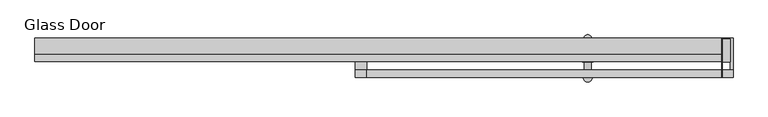
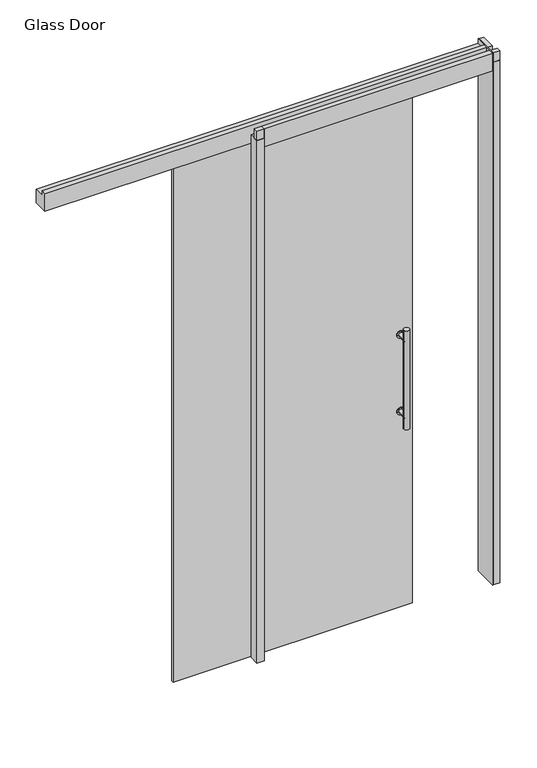
"""IFC4 building model written with IfcOpenShell, lengths in millimetres: plate geometry, Glass Door."""

import ifcopenshell
import ifcopenshell.guid

model = None  # the IFC model being written
_history = None  # IfcOwnerHistory: only IFC2X3 demands one
_inside = {}  # id of a spatial element -> (the spatial element, [elements in it])
_under = {}  # id of a project, library or spatial element -> (it, [spatial elements below it])
_declared = {}  # id of a project -> (the project, [libraries it declares])
_typed = {}  # id of a type object -> (the type object, [elements of that type])
_made_of = {}  # id of a material, layer set ... -> (it, [elements and type objects made of it])


def new_model(schema):
    """Start an empty IFC model of exactly this schema.

    Asked for "IFC4X3", IfcOpenShell would pick the latest addendum, in which some entities
    have other attributes; the version numbers below select the first issue.
    IFC2X3 requires an IfcOwnerHistory on every rooted entity: one is made here for all.
    """
    global model, _history
    if schema == "IFC4X3":
        model = ifcopenshell.file(schema_version=(4, 3, 0, 0))
    else:
        model = ifcopenshell.file(schema=schema)
    _inside.clear()
    _under.clear()
    _declared.clear()
    _typed.clear()
    _made_of.clear()
    _history = None
    if model.schema == "IFC2X3":
        org = make("IfcOrganization", Name="unknown")
        user = make(
            "IfcPersonAndOrganization",
            ThePerson=make("IfcPerson", FamilyName="unknown"),
            TheOrganization=org,
        )
        app = make(
            "IfcApplication",
            ApplicationDeveloper=org,
            Version="unknown",
            ApplicationFullName="unknown",
            ApplicationIdentifier="unknown",
        )
        _history = make(
            "IfcOwnerHistory",
            OwningUser=user,
            OwningApplication=app,
            ChangeAction="ADDED",
            CreationDate=0,
        )
    return model


def make(cls, **values):
    """One entity of the class cls with the attributes given. An attribute that is None is left unset."""
    return model.create_entity(
        cls, **{name: value for name, value in values.items() if value is not None}
    )


def rooted(cls, **values):
    """An entity with a GlobalId (a new one), such as an element, a storey or a relation."""
    return make(cls, GlobalId=ifcopenshell.guid.new(), OwnerHistory=_history, **values)


def si_unit(unit_type, name, prefix=None):
    """IfcSIUnit, for example si_unit("LENGTHUNIT", "METRE", prefix="MILLI")."""
    return make("IfcSIUnit", UnitType=unit_type, Prefix=prefix, Name=name)


def assignment(units):
    """IfcUnitAssignment: the units of a project."""
    return None if units is None else make("IfcUnitAssignment", Units=units)


def point(xyz):
    """IfcCartesianPoint."""
    return None if xyz is None else make("IfcCartesianPoint", Coordinates=xyz)


def direction(xyz):
    """IfcDirection."""
    return None if xyz is None else make("IfcDirection", DirectionRatios=xyz)


def frame(location, z_axis=None, x_axis=None):
    """IfcAxis2Placement3D, a coordinate frame: its origin and axes. An axis left out is left unset."""
    return make(
        "IfcAxis2Placement3D",
        Location=point(location),
        Axis=direction(z_axis),
        RefDirection=direction(x_axis),
    )


def frame_2d(location, x_axis=None):
    """IfcAxis2Placement2D, a coordinate frame in the plane: its origin and x axis."""
    return make(
        "IfcAxis2Placement2D", Location=point(location), RefDirection=direction(x_axis)
    )


def origin():
    """The frame at (0, 0, 0) with its axes left unset."""
    return frame((0.0, 0.0, 0.0))


def origin_with_axes():
    """The frame at (0, 0, 0) with the z axis (0, 0, 1) and the x axis (1, 0, 0) written out."""
    return frame((0.0, 0.0, 0.0), z_axis=(0.0, 0.0, 1.0), x_axis=(1.0, 0.0, 0.0))


def place(relative_to, where):
    """IfcLocalPlacement: puts the frame where relative to a parent placement (None: the world)."""
    return make(
        "IfcLocalPlacement", PlacementRelTo=relative_to, RelativePlacement=where
    )


def context(
    kind, dimensions, precision=None, world=None, true_north=None, identifier=None
):
    """IfcGeometricRepresentationContext, for example the 3D "Model" context."""
    return make(
        "IfcGeometricRepresentationContext",
        ContextIdentifier=identifier,
        ContextType=kind,
        CoordinateSpaceDimension=dimensions,
        Precision=precision,
        WorldCoordinateSystem=world,
        TrueNorth=true_north,
    )


def project(units=None, contexts=None):
    """IfcProject with its units and contexts."""
    return rooted(
        "IfcProject",
        Name="project",
        RepresentationContexts=contexts,
        UnitsInContext=assignment(units),
    )


def spatial(cls, under=None, at=None, **own):
    """A site, building, storey or space (cls), placed at a placement, below another one or the project."""
    s = rooted(cls, ObjectPlacement=at, **own)
    if under is not None:
        _under.setdefault(under.id(), (under, []))[1].append(s)
    return s


def polyline(points):
    """IfcPolyline through the points."""
    return make("IfcPolyline", Points=[point(p) for p in points])


def circle_curve(where, radius):
    """IfcCircle in the frame where."""
    return make("IfcCircle", Position=where, Radius=radius)


def trimmed(basis, trim1, trim2, sense, master):
    """IfcTrimmedCurve: the piece of a basis curve between two trims."""
    return make(
        "IfcTrimmedCurve",
        BasisCurve=basis,
        Trim1=trim1,
        Trim2=trim2,
        SenseAgreement=sense,
        MasterRepresentation=master,
    )


def segment(curve, same_sense, transition):
    """IfcCompositeCurveSegment."""
    return make(
        "IfcCompositeCurveSegment",
        Transition=transition,
        SameSense=same_sense,
        ParentCurve=curve,
    )


def composite_curve(segments, self_intersect=None):
    """IfcCompositeCurve: segments joined end to end."""
    return make("IfcCompositeCurve", Segments=segments, SelfIntersect=self_intersect)


def outline(outer, holes=None, kind="AREA"):
    """IfcArbitraryClosedProfileDef: a profile drawn as a closed curve; with holes, ...WithVoids."""
    if holes is None:
        return make("IfcArbitraryClosedProfileDef", ProfileType=kind, OuterCurve=outer)
    return make(
        "IfcArbitraryProfileDefWithVoids",
        ProfileType=kind,
        OuterCurve=outer,
        InnerCurves=holes,
    )


def extrude(swept, where, along, depth):
    """IfcExtrudedAreaSolid: the profile swept, set in the frame where, extruded along a direction by depth."""
    return make(
        "IfcExtrudedAreaSolid",
        SweptArea=swept,
        Position=where,
        ExtrudedDirection=direction(along),
        Depth=depth,
    )


def shape(context_of_items, identifier, shape_type, items):
    """IfcShapeRepresentation: the items that make up one representation, for example the "Body"."""
    return make(
        "IfcShapeRepresentation",
        ContextOfItems=context_of_items,
        RepresentationIdentifier=identifier,
        RepresentationType=shape_type,
        Items=items,
    )


def source(mapping_origin, context_of_items, identifier, shape_type, items):
    """IfcRepresentationMap: a shape defined once, which mapped items show again and again."""
    return make(
        "IfcRepresentationMap",
        MappingOrigin=mapping_origin,
        MappedRepresentation=shape(context_of_items, identifier, shape_type, items),
    )


def transform(
    local_origin,
    x_axis=None,
    y_axis=None,
    z_axis=None,
    scale=None,
    scale2=None,
    scale3=None,
    uniform=True,
):
    """IfcCartesianTransformationOperator3D, or its non-uniform kind. x_axis, y_axis, z_axis: its Axis1, 2, 3."""
    if uniform:
        return make(
            "IfcCartesianTransformationOperator3D",
            Axis1=direction(x_axis),
            Axis2=direction(y_axis),
            LocalOrigin=point(local_origin),
            Scale=scale,
            Axis3=direction(z_axis),
        )
    return make(
        "IfcCartesianTransformationOperator3DnonUniform",
        Axis1=direction(x_axis),
        Axis2=direction(y_axis),
        LocalOrigin=point(local_origin),
        Scale=scale,
        Axis3=direction(z_axis),
        Scale2=scale2,
        Scale3=scale3,
    )


def mapped(mapping_source, mapping_target):
    """IfcMappedItem: shows the shape of a source again, moved by a transform."""
    return make(
        "IfcMappedItem", MappingSource=mapping_source, MappingTarget=mapping_target
    )


def made_of(thing, what):
    """Note that an element or type object is made of a material, layer set ...; save() writes the relation."""
    if what is not None:
        _made_of.setdefault(what.id(), (what, []))[1].append(thing)
    return thing


def element(
    cls,
    number,
    at=None,
    inside=None,
    cuts=None,
    type_object=None,
    material=None,
    context=None,
    identifier="Body",
    shape_type=None,
    held_by="IfcProductDefinitionShape",
    body=None,
    shapes=None,
    **own,
):
    """One element of the class cls, such as IfcWall. Its Tag is "e" and its number.

    at: its placement. inside: the storey or other place that contains it. cuts: it is an
    opening in that element (IfcRelVoidsElement). A single representation is given by context,
    identifier, shape_type and body (its items); several are given by shapes. held_by: the class
    of the entity that holds the representations. save() writes the other relations.
    """
    e = rooted(cls, Tag="e%d" % number, ObjectPlacement=at, **own)
    if body is not None:
        shapes = [shape(context, identifier, shape_type, body)]
    if shapes is not None:
        e.Representation = make(held_by, Representations=shapes)
    if inside is not None:
        _inside.setdefault(inside.id(), (inside, []))[1].append(e)
    if cuts is not None:
        rooted(
            "IfcRelVoidsElement", RelatingBuildingElement=cuts, RelatedOpeningElement=e
        )
    if type_object is not None:
        _typed.setdefault(type_object.id(), (type_object, []))[1].append(e)
    return made_of(e, material)


def aggregate(whole, parts):
    """IfcRelAggregates: a whole, such as a stair, and the parts it consists of."""
    return rooted("IfcRelAggregates", RelatingObject=whole, RelatedObjects=parts)


def save(model, path):
    """Write the relations noted so far, then the file.

    IfcRelAggregates (storeys below a building ...), IfcRelContainedInSpatialStructure (elements
    in a storey), IfcRelDefinesByType, IfcRelAssociatesMaterial and IfcRelDeclares: one each for
    every whole, place, type object, material and project.
    """
    for whole, parts in _under.values():
        aggregate(whole, parts)
    for where, things in _inside.values():
        rooted(
            "IfcRelContainedInSpatialStructure",
            RelatedElements=things,
            RelatingStructure=where,
        )
    for kind, things in _typed.values():
        rooted("IfcRelDefinesByType", RelatedObjects=things, RelatingType=kind)
    for what, things in _made_of.values():
        rooted("IfcRelAssociatesMaterial", RelatedObjects=things, RelatingMaterial=what)
    for by, libraries in _declared.values():
        rooted("IfcRelDeclares", RelatingContext=by, RelatedDefinitions=libraries)
    model.write(path)


def glass_door_49f5abe7(model_context):
    return source(origin(), model_context, "Body", "SweptSolid", [
        extrude(outline(composite_curve([segment(trimmed(circle_curve(frame_2d((1267.7758628, 122.9502762)), 15.5007671), [point((1267.7758628, 107.449509))], [point((1267.7758628, 138.4510433))], False, "CARTESIAN"), True, "CONTINUOUS"), segment(trimmed(circle_curve(frame_2d((1267.7758628, 122.9502762)), 15.5007671), [point((1267.7758628, 138.4510433))], [point((1267.7758628, 107.449509))], False, "CARTESIAN"), True, "CONTINUOUS")], self_intersect=False)), frame((0.0, 11.6587122, 0.0), z_axis=(0.0, 1.0, 0.0), x_axis=(0.0, 0.0, 1.0)), (0.0, 0.0, 1.0), 3.556),
        extrude(outline(composite_curve([segment(trimmed(circle_curve(frame_2d((912.5206255, 122.9502762)), 15.5007671), [point((912.5206255, 107.449509))], [point((912.5206255, 138.4510433))], False, "CARTESIAN"), True, "CONTINUOUS"), segment(trimmed(circle_curve(frame_2d((912.5206255, 122.9502762)), 15.5007671), [point((912.5206255, 138.4510433))], [point((912.5206255, 107.449509))], False, "CARTESIAN"), True, "CONTINUOUS")], self_intersect=False)), frame((0.0, 11.6587122, 0.0), z_axis=(0.0, 1.0, 0.0), x_axis=(0.0, 0.0, 1.0)), (0.0, 0.0, 1.0), 3.556),
        extrude(outline(composite_curve([segment(trimmed(circle_curve(frame_2d((912.5206255, 122.9502762)), 9.4326721), [point((912.5206255, 113.5176041))], [point((912.5206255, 132.3829482))], False, "CARTESIAN"), True, "CONTINUOUS"), segment(trimmed(circle_curve(frame_2d((912.5206255, 122.9502762)), 9.4326721), [point((912.5206255, 132.3829482))], [point((912.5206255, 113.5176041))], False, "CARTESIAN"), True, "CONTINUOUS")], self_intersect=False)), frame((0.0, -32.7444259, 0.0), z_axis=(0.0, 1.0, 0.0), x_axis=(0.0, 0.0, 1.0)), (0.0, 0.0, 1.0), 44.4031381),
        extrude(outline(composite_curve([segment(trimmed(circle_curve(frame_2d((1267.7758628, 122.9502762)), 9.4326721), [point((1267.7758628, 113.5176041))], [point((1267.7758628, 132.3829482))], False, "CARTESIAN"), True, "CONTINUOUS"), segment(trimmed(circle_curve(frame_2d((1267.7758628, 122.9502762)), 9.4326721), [point((1267.7758628, 132.3829482))], [point((1267.7758628, 113.5176041))], False, "CARTESIAN"), True, "CONTINUOUS")], self_intersect=False)), frame((0.0, -32.7444259, 0.0), z_axis=(0.0, 1.0, 0.0), x_axis=(0.0, 0.0, 1.0)), (0.0, 0.0, 1.0), 44.4031381),
        extrude(outline(composite_curve([segment(trimmed(circle_curve(frame_2d((122.9502762, -32.7444259)), 12.7), [point((110.2502762, -32.7444259))], [point((135.6502762, -32.7444259))], False, "CARTESIAN"), True, "CONTINUOUS"), segment(trimmed(circle_curve(frame_2d((122.9502762, -32.7444259)), 12.7), [point((135.6502762, -32.7444259))], [point((110.2502762, -32.7444259))], False, "CARTESIAN"), True, "CONTINUOUS")], self_intersect=False)), frame((0.0, 0.0, 861.5482441), z_axis=(0.0, 0.0, 1.0), x_axis=(1.0, 0.0, 0.0)), (0.0, 0.0, 1.0), 457.2),
        extrude(outline(composite_curve([segment(trimmed(circle_curve(frame_2d((1267.7758628, 122.9502762)), 15.5007671), [point((1267.7758628, 107.449509))], [point((1267.7758628, 138.4510433))], False, "CARTESIAN"), True, "CONTINUOUS"), segment(trimmed(circle_curve(frame_2d((1267.7758628, 122.9502762)), 15.5007671), [point((1267.7758628, 138.4510433))], [point((1267.7758628, 107.449509))], False, "CARTESIAN"), True, "CONTINUOUS")], self_intersect=False)), frame((0.0, 27.9147122, 0.0), z_axis=(0.0, 1.0, 0.0), x_axis=(0.0, 0.0, 1.0)), (0.0, 0.0, 1.0), 3.556),
        extrude(outline(composite_curve([segment(trimmed(circle_curve(frame_2d((912.5206255, 122.9502762)), 15.5007671), [point((912.5206255, 107.449509))], [point((912.5206255, 138.4510433))], False, "CARTESIAN"), True, "CONTINUOUS"), segment(trimmed(circle_curve(frame_2d((912.5206255, 122.9502762)), 15.5007671), [point((912.5206255, 138.4510433))], [point((912.5206255, 107.449509))], False, "CARTESIAN"), True, "CONTINUOUS")], self_intersect=False)), frame((0.0, 27.9147122, 0.0), z_axis=(0.0, 1.0, 0.0), x_axis=(0.0, 0.0, 1.0)), (0.0, 0.0, 1.0), 3.556),
        extrude(outline(composite_curve([segment(trimmed(circle_curve(frame_2d((912.5206255, 122.9502762)), 9.4326721), [point((912.5206255, 113.5176041))], [point((912.5206255, 132.3829482))], False, "CARTESIAN"), True, "CONTINUOUS"), segment(trimmed(circle_curve(frame_2d((912.5206255, 122.9502762)), 9.4326721), [point((912.5206255, 132.3829482))], [point((912.5206255, 113.5176041))], False, "CARTESIAN"), True, "CONTINUOUS")], self_intersect=False)), frame((0.0, 31.4707122, 0.0), z_axis=(0.0, 1.0, 0.0), x_axis=(0.0, 0.0, 1.0)), (0.0, 0.0, 1.0), 44.4031381),
        extrude(outline(composite_curve([segment(trimmed(circle_curve(frame_2d((1267.7758628, 122.9502762)), 9.4326721), [point((1267.7758628, 113.5176041))], [point((1267.7758628, 132.3829482))], False, "CARTESIAN"), True, "CONTINUOUS"), segment(trimmed(circle_curve(frame_2d((1267.7758628, 122.9502762)), 9.4326721), [point((1267.7758628, 132.3829482))], [point((1267.7758628, 113.5176041))], False, "CARTESIAN"), True, "CONTINUOUS")], self_intersect=False)), frame((0.0, 31.4707122, 0.0), z_axis=(0.0, 1.0, 0.0), x_axis=(0.0, 0.0, 1.0)), (0.0, 0.0, 1.0), 44.4031381),
        extrude(outline(composite_curve([segment(trimmed(circle_curve(frame_2d((122.9502762, 75.8738503)), 12.7), [point((110.2502762, 75.8738503))], [point((135.6502762, 75.8738503))], False, "CARTESIAN"), True, "CONTINUOUS"), segment(trimmed(circle_curve(frame_2d((122.9502762, 75.8738503)), 12.7), [point((135.6502762, 75.8738503))], [point((110.2502762, 75.8738503))], False, "CARTESIAN"), True, "CONTINUOUS")], self_intersect=False)), frame((0.0, 0.0, 861.5482441), z_axis=(0.0, 0.0, 1.0), x_axis=(1.0, 0.0, 0.0)), (0.0, 0.0, 1.0), 457.2),
        extrude(outline(polyline([(501.16102, -32.4102878), (501.16102, 78.5748921), (503.19302, 78.5748921), (503.19302, -32.4102878), (501.16102, -32.4102878)])), origin_with_axes(), (0.0, 0.0, 1.0), 2468.0182131),
        extrude(outline(polyline([(503.19302, -31.9657855), (503.19302, -11.7473709), (533.4, -11.7473709), (533.4, -31.9657855), (503.19302, -31.9657855)])), frame((0.0, 0.0, 2424.684), z_axis=(0.0, 0.0, 1.0), x_axis=(1.0, 0.0, 0.0)), (0.0, 0.0, 1.0), 43.3342131),
        extrude(outline(polyline([(525.6529999, 11.7476378), (503.19302, 11.7476378), (503.19302, 76.5428917), (525.6529999, 76.5428917), (525.6529999, 11.7476378)])), frame((0.0, 0.0, 2424.684), z_axis=(0.0, 0.0, 1.0), x_axis=(1.0, 0.0, 0.0)), (0.0, 0.0, 1.0), 43.3342131),
        extrude(outline(polyline([(533.4, -32.4102878), (503.19302, -32.4102878), (503.19302, -30.3782748), (525.6529999, -30.3782748), (525.6529999, 76.5428917), (503.19302, 76.5428917), (503.19302, 78.5748921), (533.4, 78.5748921), (533.4, -32.4102878)])), origin_with_axes(), (0.0, 0.0, 1.0), 2424.684),
        extrude(outline(polyline([(-533.4, -32.4102878), (-533.4, 12.394152), (-501.16102, 12.394152), (-501.16102, -32.4102878), (-533.4, -32.4102878)])), origin_with_axes(), (0.0, 0.0, 1.0), 2424.684),
        extrude(outline(polyline([(501.16102, -31.9657855), (-501.16102, -31.9657855), (-501.16102, -11.7473709), (501.16102, -11.7473709), (501.16102, -31.9657855)])), frame((0.0, 0.0, 2385.4682131), z_axis=(0.0, 0.0, 1.0), x_axis=(1.0, 0.0, 0.0)), (0.0, 0.0, 1.0), 82.55),
        extrude(outline(polyline([(-533.4, -31.9657855), (-533.4, -11.7473709), (-501.16102, -11.7473709), (-501.16102, -31.9657855), (-533.4, -31.9657855)])), frame((0.0, 0.0, 2424.684), z_axis=(0.0, 0.0, 1.0), x_axis=(1.0, 0.0, 0.0)), (0.0, 0.0, 1.0), 43.3342131),
        extrude(outline(polyline([(-685.6951926, 36.1536677), (-685.6951926, 27.9147122), (-736.82705, 27.9147122), (-736.82705, 36.1536677), (-685.6951926, 36.1536677)])), frame((0.0, 0.0, 2340.6099031), z_axis=(0.0, 0.0, 1.0), x_axis=(1.0, 0.0, 0.0)), (0.0, 0.0, 1.0), 44.85831),
        extrude(outline(polyline([(65.0127702, 36.1536677), (65.0127702, 27.9147122), (14.2128187, 27.9147122), (14.2128187, 36.1536677), (65.0127702, 36.1536677)])), frame((0.0, 0.0, 2340.6099031), z_axis=(0.0, 0.0, 1.0), x_axis=(1.0, 0.0, 0.0)), (0.0, 0.0, 1.0), 44.85831),
        extrude(outline(polyline([(32.9183918, 2468.0182131), (32.9183918, 2447.1122202), (78.5748921, 2447.1122202), (78.5748921, 2385.4682131), (12.7000057, 2385.4682131), (12.7000057, 2468.0182131), (32.9183918, 2468.0182131)])), frame((-1437.7891575, 0.0, 0.0), z_axis=(1.0, 0.0, 0.0), x_axis=(0.0, 1.0, 0.0)), (0.0, 0.0, 1.0), 1938.9501775),
        extrude(outline(polyline([(176.8490762, 27.9147122), (176.8490762, 17.7868078), (-872.080391, 17.7868078), (-872.080391, 27.9147122), (176.8490762, 27.9147122)])), origin_with_axes(), (0.0, 0.0, 1.0), 2385.4682131),
    ])


if __name__ == "__main__":
    model = new_model("IFC4")
    model_context = context("Model", 3, world=origin())
    ifc_project = project(units=[si_unit("LENGTHUNIT", "METRE", prefix="MILLI")], contexts=[model_context])
    site = spatial("IfcSite", under=ifc_project)
    building = spatial("IfcBuilding", under=site)
    placement = place(None, origin())
    glass_door_shape = glass_door_49f5abe7(model_context)
    element("IfcPlate", 1, ObjectType="Glass Door", at=placement, inside=building, context=model_context, shape_type="MappedRepresentation", body=[
        mapped(glass_door_shape, transform((0.0, 0.0, 0.0), x_axis=(1.0, 0.0, 0.0), y_axis=(0.0, 1.0, 0.0), z_axis=(0.0, 0.0, 1.0))),
    ])
    save(model, "model.ifc")
